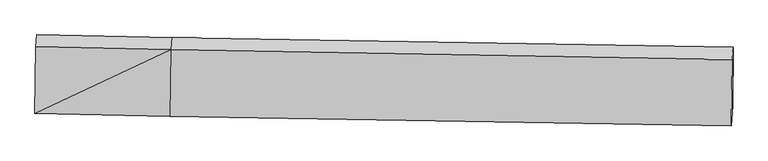
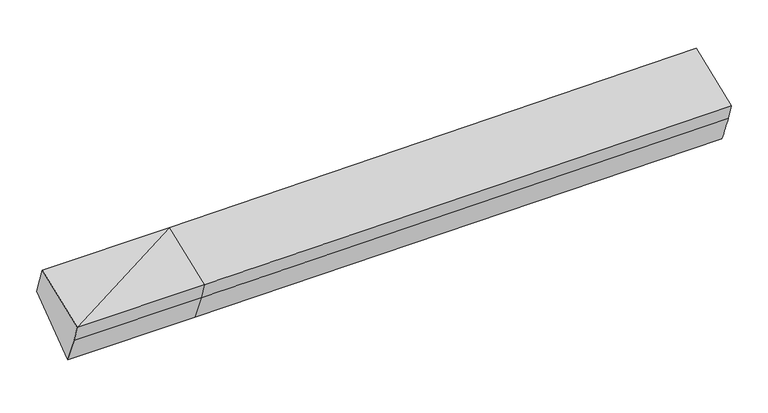
"""IFC4 building model written with IfcOpenShell, lengths in millimetres: proxy geometry."""

from ifc_helpers import new_model, si_unit, frame, origin, place, context, project, spatial, source, transform, mapped, element, save
from ifc_brep_helpers import plane_surface, spline_surface, advanced_brep


def generic_models_e7efe2c0(model_context):
    return source(origin(), model_context, "Body", "AdvancedBrep", [
        advanced_brep(
        [(-2791.614204, -1887.0138248, 1989.1047334), (-2786.223069, -1820.0811812, 1796.2817293), (-1434.1447014, -1848.7539065, 1824.1316002), (-1439.5358364, -1915.6865501, 2016.9546043), (-2782.3765424, -1216.7474192, 2230.6973088), (-1430.2981748, -1245.4201445, 2258.5471797), (-2773.3712204, -1097.1458118, 1916.6349192), (-1421.2928528, -1125.8185371, 1944.4847901), (-2777.1615282, -1688.0850613, 1492.2507037), (-1425.0831606, -1716.7577866, 1520.1005746), (4203.9123002, -1221.4892585, 2068.5506218), (4194.6429407, -1344.3689743, 2392.0567548), (4185.4052791, -2014.63538, 2150.4641794), (4190.5323767, -1950.9808447, 1967.0849187), (4200.1219924, -1812.428508, 1644.1664063)],
        [
            (0, 1),
            (1, 2),
            (2, 3),
            (3, 0),
            (4, 0),
            (0, 5),
            (5, 4),
            (6, 4),
            (5, 7),
            (7, 6),
            (8, 6),
            (7, 9),
            (9, 8),
            (1, 8),
            (9, 2),
            (10, 11),
            (11, 12),
            (12, 13),
            (13, 14),
            (14, 10),
            (3, 5),
            (5, 11),
            (10, 7),
            (3, 12),
            (2, 13),
            (9, 14),
        ],
        [
            plane_surface(frame((-2788.9186365, -1853.547503, 1892.6932313), z_axis=(-0.013268800654384365, -0.9445055496556733, -0.3282273687534732), x_axis=(0.026403745922421815, 0.32781084123677, -0.9443743402745044))),
            plane_surface(frame((-2786.9953732, -1551.880622, 2109.9010211), z_axis=(-0.026554502823590814, -0.33864457087232863, 0.940539586087948), x_axis=(-0.01296446101206603, -0.9406755740325253, -0.33905956286358546))),
            plane_surface(frame((-2777.8738814, -1156.9466155, 2073.666114), z_axis=(0.012477537584052557, 0.934336725452029, 0.3561729839943206), x_axis=(-0.026786749063298827, -0.3557605436727133, 0.9341931843255523))),
            plane_surface(frame((-2775.2663743, -1392.6154365, 1704.4428114), z_axis=(0.029087417427482956, 0.5829458317822862, -0.8119901965880241), x_axis=(0.0052097041126009415, 0.8122344724095273, 0.5833078268056037))),
            plane_surface(frame((-2781.6922986, -1754.0831212, 1644.2662165), z_axis=(-0.01124023016251635, -0.9171005841288302, -0.39849739750273433), x_axis=(0.027329033927954292, 0.3980919486165013, -0.9169383427206443))),
            plane_surface(frame((4194.9229778, -1668.7805931, 2044.4645762), z_axis=(0.9995632952096926, -0.021197146913570122, 0.020588827850705364), x_axis=(-0.026776017912748144, -0.35495758815304257, 0.9344988793344331))),
            plane_surface(frame((-2782.1493128, -1541.8146596, 1884.9938789), z_axis=(-0.9995632952096924, 0.021197146913568266, -0.020588827850706908), x_axis=(-0.026403745922419262, -0.32781084123676857, 0.9443743402745051))),
            plane_surface(frame((-2791.614204, -1887.0138248, 1989.1047334), z_axis=(-0.02655450282359084, -0.3386445708723287, 0.940539586087948), x_axis=(-0.012964461012067174, -0.9406755740325253, -0.3390595628635855))),
            spline_surface(1, 1, [[(-1421.2928528, -1125.8185371, 1944.4847901), (4203.9123002, -1221.4892585, 2068.5506218)], [(-1430.2981748, -1245.4201445, 2258.5471797), (4194.6429407, -1344.3689743, 2392.0567548)]], [2, 2], [2, 2], [0.0, 1.0], [0.0, 1.0]),
            plane_surface(frame((-1434.9170056, -1580.5533473, 2137.750892), z_axis=(-0.028279571357060322, -0.3386074831832268, 0.940502651870893), x_axis=(-0.012964461012068315, -0.9406755740325256, -0.3390595628635848))),
            plane_surface(frame((-1436.8402689, -1882.2202283, 1920.5431023), z_axis=(-0.008828050146226868, -0.9445903986598018, -0.3281326626386537), x_axis=(0.026403745922422985, 0.32781084123676824, -0.944374340274505))),
            spline_surface(1, 1, [[(-1434.1447014, -1848.7539065, 1824.1316002), (4190.5323767, -1950.9808447, 1967.0849187)], [(-1425.0831606, -1716.7577866, 1520.1005746), (4200.1219924, -1812.428508, 1644.1664063)]], [2, 2], [2, 2], [0.0, 1.0], [0.0, 1.0]),
            plane_surface(frame((-1423.1880067, -1421.2881618, 1732.2926823), z_axis=(0.027824185792961628, 0.5829721543862758, -0.8120155675202188), x_axis=(0.005209704112599824, 0.8122344724095273, 0.5833078268056036))),
        ],
        [
            (0, [[1, 2, 3, 4]]),
            (1, [[5, 6, 7]]),
            (2, [[8, -7, 9, 10]]),
            (3, [[11, -10, 12, 13]]),
            (4, [[14, -13, 15, -2]]),
            (5, [[16, 17, 18, 19, 20]]),
            (6, [[-1, -5, -8, -11, -14]]),
            (7, [[21, -6, -4]]),
            (8, [[-9, 22, -16, 23]]),
            (9, [[-21, 24, -17, -22]]),
            (10, [[-3, 25, -18, -24]]),
            (11, [[-15, 26, -19, -25]]),
            (12, [[-12, -23, -20, -26]]),
        ],
    ),
    ])


if __name__ == "__main__":
    model = new_model("IFC4")
    model_context = context("Model", 3, world=origin())
    ifc_project = project(units=[si_unit("LENGTHUNIT", "METRE", prefix="MILLI")], contexts=[model_context])
    site = spatial("IfcSite", under=ifc_project)
    building = spatial("IfcBuilding", under=site)
    placement = place(None, origin())
    generic_models_shape = generic_models_e7efe2c0(model_context)
    element("IfcBuildingElementProxy", 1, Name="Generic Models", at=placement, inside=building, context=model_context, shape_type="MappedRepresentation", body=[
        mapped(generic_models_shape, transform((0.0, 0.0, 0.0), x_axis=(1.0, 0.0, 0.0), y_axis=(0.0, 1.0, 0.0), z_axis=(0.0, 0.0, 1.0))),
    ])
    save(model, "model.ifc")
